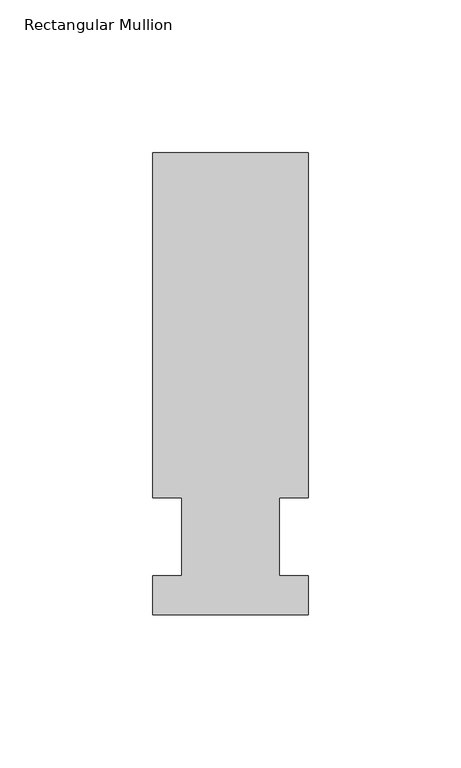
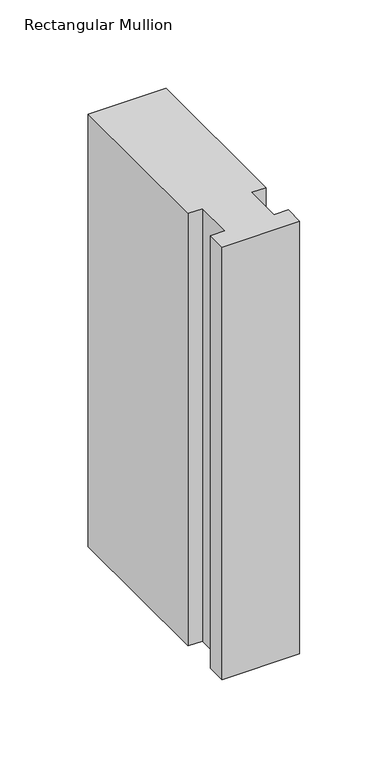
"""IFC4 building model written with IfcOpenShell, lengths in millimetres: member geometry, Rectangular Mullion."""

from ifc_helpers import new_model, si_unit, frame, origin, place, context, project, spatial, polyline, outline, extrude, source, transform, mapped, element, save


def rectangular_mullion_2ec44c5e(model_context):
    return source(origin(), model_context, "Body", "SweptSolid", [
        extrude(outline(polyline([(-25.4, -25.58415), (-25.4, -12.7), (-15.875, -12.7), (-15.875, 12.7), (-25.4, 12.7), (-25.4, 125.59665), (25.4, 125.59665), (25.4, 12.7), (15.875, 12.7), (15.875, -12.7), (25.4, -12.7), (25.4, -25.58415), (-25.4, -25.58415)])), frame((0.0, 0.0, -298.45), z_axis=(0.0, 0.0, 1.0), x_axis=(1.0, 0.0, 0.0)), (0.0, 0.0, 1.0), 298.45),
    ])


if __name__ == "__main__":
    model = new_model("IFC4")
    model_context = context("Model", 3, world=origin())
    ifc_project = project(units=[si_unit("LENGTHUNIT", "METRE", prefix="MILLI")], contexts=[model_context])
    site = spatial("IfcSite", under=ifc_project)
    building = spatial("IfcBuilding", under=site)
    placement = place(None, origin())
    rectangular_mullion_shape = rectangular_mullion_2ec44c5e(model_context)
    element("IfcMember", 1, ObjectType="Rectangular Mullion", at=placement, inside=building, context=model_context, shape_type="MappedRepresentation", body=[
        mapped(rectangular_mullion_shape, transform((0.0, 0.0, 0.0), x_axis=(1.0, 0.0, 0.0), y_axis=(0.0, 1.0, 0.0), z_axis=(0.0, 0.0, 1.0))),
    ])
    save(model, "model.ifc")
